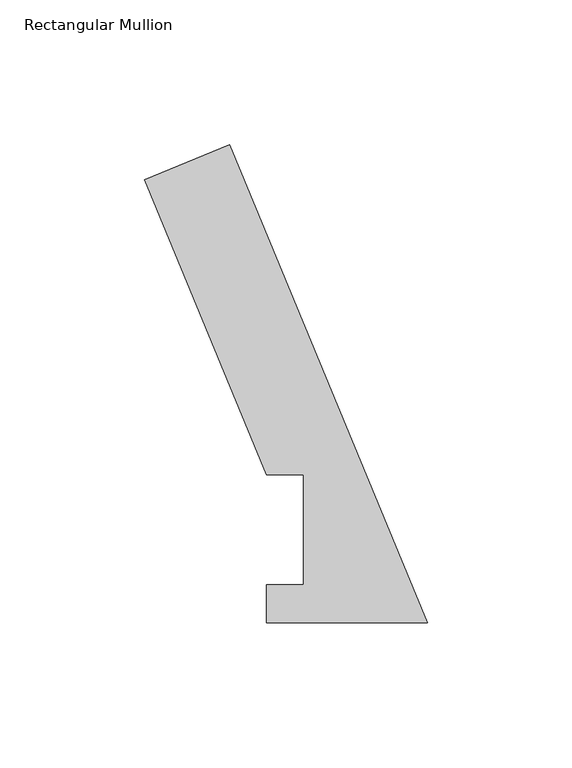
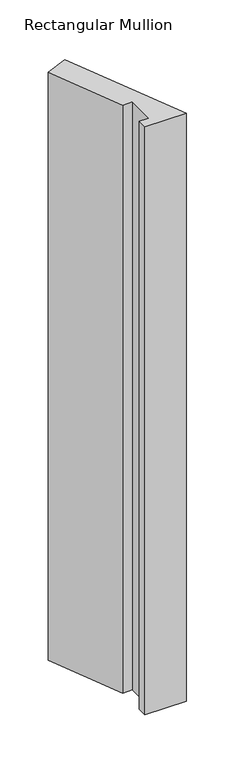
"""IFC4 building model written with IfcOpenShell, lengths in millimetres: member geometry, Rectangular Mullion."""

from ifc_helpers import new_model, si_unit, frame, origin, place, context, project, spatial, polyline, outline, extrude, source, transform, mapped, element, save


def rectangular_mullion_49d08168(model_context):
    return source(origin(), model_context, "Body", "SweptSolid", [
        extrude(outline(polyline([(0.0, 0.060298), (-55.5640922, 0.060298), (-55.5640922, 13.2332912), (-42.8885138, 13.2332912), (-42.8885138, 51.2960938), (-55.5885138, 51.2960938), (-97.8128853, 153.2347441), (-68.4797102, 165.384943), (0.0, 0.060298)])), frame((0.0, 0.0, -838.1999996), z_axis=(0.0, 0.0, 1.0), x_axis=(1.0, 0.0, 0.0)), (0.0, 0.0, 1.0), 838.1999996),
    ])


if __name__ == "__main__":
    model = new_model("IFC4")
    model_context = context("Model", 3, world=origin())
    ifc_project = project(units=[si_unit("LENGTHUNIT", "METRE", prefix="MILLI")], contexts=[model_context])
    site = spatial("IfcSite", under=ifc_project)
    building = spatial("IfcBuilding", under=site)
    placement = place(None, origin())
    rectangular_mullion_shape = rectangular_mullion_49d08168(model_context)
    element("IfcMember", 1, ObjectType="Rectangular Mullion", at=placement, inside=building, context=model_context, shape_type="MappedRepresentation", body=[
        mapped(rectangular_mullion_shape, transform((0.0, 0.0, 0.0), x_axis=(1.0, 0.0, 0.0), y_axis=(0.0, 1.0, 0.0), z_axis=(0.0, 0.0, 1.0))),
    ])
    save(model, "model.ifc")
